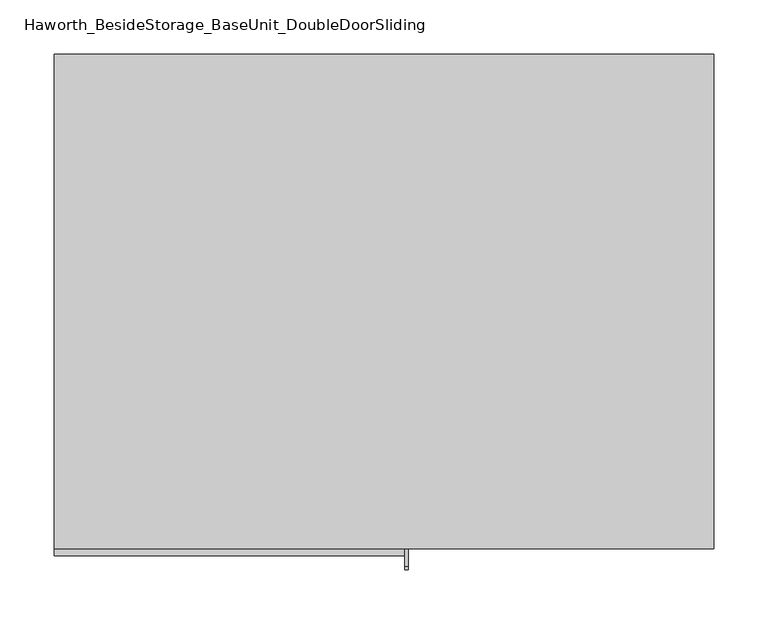
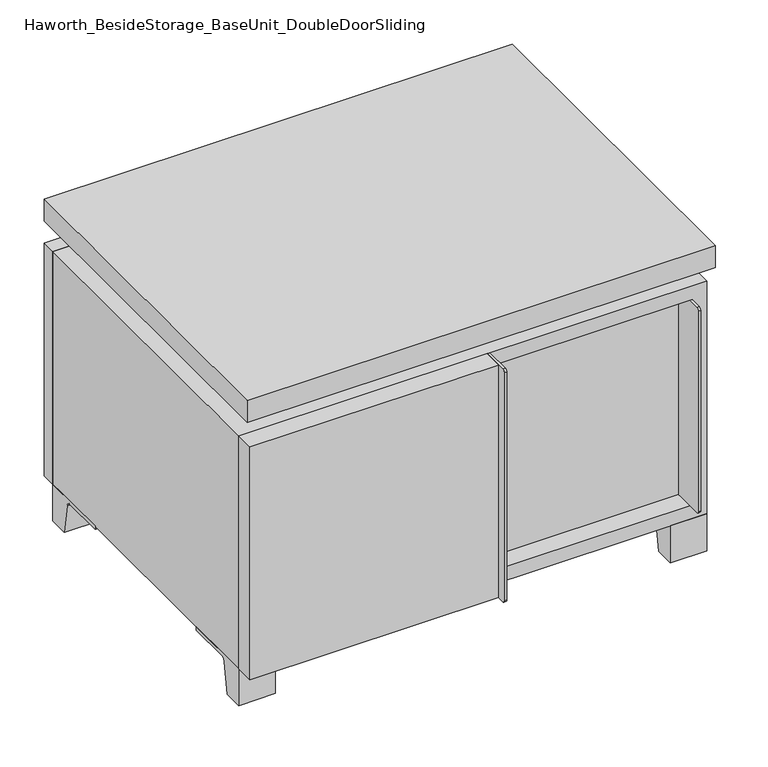
"""IFC4 building model written with IfcOpenShell, lengths in millimetres: furniture geometry, Haworth_BesideStorage_BaseUnit_DoubleDoorSliding."""

from ifc_helpers import new_model, si_unit, point, frame, frame_2d, origin, place, context, project, spatial, polyline, circle_curve, trimmed, segment, composite_curve, outline, extrude, faceted_brep, source, transform, mapped, element, save


def haworth_besidestorage_baseunit_doubledoorsliding_63acf6f0(model_context):
    return source(origin(), model_context, "Body", "SolidModel", [
        extrude(outline(polyline([(9.5319453, 241.3), (285.7569453, 241.3), (285.7569453, -92.075), (9.5319453, -92.075), (9.5319453, 241.3)])), frame((0.0, 0.0, 201.6125), z_axis=(0.0, 0.0, 1.0), x_axis=(1.0, 0.0, 0.0)), (0.0, 0.0, 1.0), 19.05),
        extrude(outline(polyline([(-9.5041641, 241.3), (-9.5041641, -92.075), (-285.7291641, -92.075), (-285.7291641, 241.3), (-9.5041641, 241.3)])), frame((0.0, 0.0, 201.6125), z_axis=(0.0, 0.0, 1.0), x_axis=(1.0, 0.0, 0.0)), (0.0, 0.0, 1.0), 19.05),
        extrude(outline(composite_curve([segment(polyline([(-95.25, 352.425), (-95.25, 69.85), (-161.925, 69.85)]), True, "CONTINUOUS"), segment(trimmed(circle_curve(frame_2d((-161.925, 73.025)), 3.175), [point((-161.925, 69.85))], [point((-165.1, 73.025))], False, "CARTESIAN"), True, "CONTINUOUS"), segment(polyline([(-165.1, 73.025), (-165.1, 349.25)]), True, "CONTINUOUS"), segment(trimmed(circle_curve(frame_2d((-161.925, 349.25)), 3.175), [point((-165.1, 349.25))], [point((-161.925, 352.425))], False, "CARTESIAN"), True, "CONTINUOUS"), segment(polyline([(-161.925, 352.425), (-95.25, 352.425)]), True, "CONTINUOUS")], self_intersect=False)), frame((282.5819453, 0.0, 0.0), z_axis=(1.0, 0.0, 0.0), x_axis=(0.0, 1.0, 0.0)), (0.0, 0.0, 1.0), 3.175),
        extrude(outline(polyline([(15.8819453, -95.25), (282.5819453, -95.25), (282.5819453, -120.65), (15.8819453, -120.65), (15.8819453, -95.25)])), frame((0.0, 0.0, 69.85), z_axis=(0.0, 0.0, 1.0), x_axis=(1.0, 0.0, 0.0)), (0.0, 0.0, 1.0), 282.575),
        extrude(outline(polyline([(304.8138906, 292.1), (304.8138906, -165.1), (-304.7861094, -165.1), (-304.7861094, 292.1), (304.8138906, 292.1)])), frame((0.0, 0.0, 401.6375), z_axis=(0.0, 0.0, 1.0), x_axis=(1.0, 0.0, 0.0)), (0.0, 0.0, 1.0), 30.1625),
        extrude(outline(composite_curve([segment(polyline([(-146.05, 371.475), (-146.05, 50.8), (-180.975, 50.8)]), True, "CONTINUOUS"), segment(trimmed(circle_curve(frame_2d((-180.975, 53.975)), 3.175), [point((-180.975, 50.8))], [point((-184.15, 53.975))], False, "CARTESIAN"), True, "CONTINUOUS"), segment(polyline([(-184.15, 53.975), (-184.15, 368.3)]), True, "CONTINUOUS"), segment(trimmed(circle_curve(frame_2d((-180.975, 368.3)), 3.175), [point((-184.15, 368.3))], [point((-180.975, 371.475))], False, "CARTESIAN"), True, "CONTINUOUS"), segment(polyline([(-180.975, 371.475), (-146.05, 371.475)]), True, "CONTINUOUS")], self_intersect=False)), frame((19.0638906, 0.0, 0.0), z_axis=(1.0, 0.0, 0.0), x_axis=(0.0, 1.0, 0.0)), (0.0, 0.0, 1.0), 3.175),
        extrude(outline(polyline([(-304.7861094, -146.05), (19.0638906, -146.05), (19.0638906, -171.45), (-304.7861094, -171.45), (-304.7861094, -146.05)])), frame((0.0, 0.0, 50.8), z_axis=(0.0, 0.0, 1.0), x_axis=(1.0, 0.0, 0.0)), (0.0, 0.0, 1.0), 320.675),
        extrude(outline(composite_curve([segment(polyline([(-120.6500136, 0.0), (-146.05, 0.0), (-146.05, 50.8), (-50.8, 50.8), (-50.8, 46.0213321), (-107.6005345, 46.0213321)]), True, "CONTINUOUS"), segment(trimmed(circle_curve(frame_2d((-107.6005345, 39.6713321)), 6.35), [point((-107.6005345, 46.0213321))], [point((-113.8641359, 40.7152656))], True, "CARTESIAN"), True, "CONTINUOUS"), segment(polyline([(-113.8641359, 40.7152656), (-120.6500136, 0.0)]), True, "CONTINUOUS")], self_intersect=False)), frame((257.1888906, 0.0, 0.0), z_axis=(1.0, 0.0, 0.0), x_axis=(0.0, 1.0, 0.0)), (0.0, 0.0, 1.0), 47.625),
        extrude(outline(composite_curve([segment(polyline([(247.6500136, 0.0), (240.8641359, 40.7152656)]), True, "CONTINUOUS"), segment(trimmed(circle_curve(frame_2d((234.6005345, 39.6713321)), 6.35), [point((240.8641359, 40.7152656))], [point((234.6005345, 46.0213321))], True, "CARTESIAN"), True, "CONTINUOUS"), segment(polyline([(234.6005345, 46.0213321), (177.8, 46.0213321), (177.8, 50.8), (273.05, 50.8), (273.05, 0.0), (247.6500136, 0.0)]), True, "CONTINUOUS")], self_intersect=False)), frame((257.1888906, 0.0, 0.0), z_axis=(1.0, 0.0, 0.0), x_axis=(0.0, 1.0, 0.0)), (0.0, 0.0, 1.0), 47.625),
        extrude(outline(composite_curve([segment(polyline([(-120.6500136, 0.0), (-146.05, 0.0), (-146.05, 50.8), (-50.8, 50.8), (-50.8, 46.0213321), (-107.6005345, 46.0213321)]), True, "CONTINUOUS"), segment(trimmed(circle_curve(frame_2d((-107.6005345, 39.6713321)), 6.35), [point((-107.6005345, 46.0213321))], [point((-113.8641359, 40.7152656))], True, "CARTESIAN"), True, "CONTINUOUS"), segment(polyline([(-113.8641359, 40.7152656), (-120.6500136, 0.0)]), True, "CONTINUOUS")], self_intersect=False)), frame((-304.7861094, 0.0, 0.0), z_axis=(1.0, 0.0, 0.0), x_axis=(0.0, 1.0, 0.0)), (0.0, 0.0, 1.0), 47.625),
        extrude(outline(composite_curve([segment(polyline([(247.6500136, 0.0), (240.8641359, 40.7152656)]), True, "CONTINUOUS"), segment(trimmed(circle_curve(frame_2d((234.6005345, 39.6713321)), 6.35), [point((240.8641359, 40.7152656))], [point((234.6005345, 46.0213321))], True, "CARTESIAN"), True, "CONTINUOUS"), segment(polyline([(234.6005345, 46.0213321), (177.8, 46.0213321), (177.8, 50.8), (273.05, 50.8), (273.05, 0.0), (247.6500136, 0.0)]), True, "CONTINUOUS")], self_intersect=False)), frame((-304.7861094, 0.0, 0.0), z_axis=(1.0, 0.0, 0.0), x_axis=(0.0, 1.0, 0.0)), (0.0, 0.0, 1.0), 47.625),
        faceted_brep([(7.9513906, -120.65, 401.6375), (7.9513906, -120.65, 371.475), (7.9513906, 53.975, 371.475), (7.9513906, 53.975, 401.6375), (7.9513906, 247.65, 371.475), (7.9513906, 247.65, 401.6375), (7.9513906, 73.025, 401.6375), (7.9513906, 73.025, 371.475), (-7.9236094, 247.65, 401.6375), (-7.9236094, 247.65, 371.475), (-7.9236094, 73.025, 371.475), (-7.9236094, 73.025, 401.6375), (-7.9236094, -120.65, 371.475), (-7.9236094, -120.65, 401.6375), (-7.9236094, 53.975, 401.6375), (-7.9236094, 53.975, 371.475), (-263.4833281, 73.025, 401.6375), (-263.5041641, 247.65, 401.6375), (-279.3791641, 247.65, 401.6375), (-279.3791641, -120.65, 401.6375), (-263.5041641, -120.65, 401.6375), (-263.5041641, 53.975, 401.6375), (263.5111094, 53.975, 401.6375), (263.5111094, -120.65, 401.6375), (279.3861094, -120.65, 401.6375), (279.3861094, 247.65, 401.6375), (263.5111094, 247.65, 401.6375), (263.5111094, 73.025, 401.6375), (-263.4833281, 53.975, 371.475), (-263.5041641, -120.65, 371.475), (-279.3791641, -120.65, 371.475), (-279.3791641, 247.65, 371.475), (-263.5041641, 247.65, 371.475), (-263.5041641, 73.025, 371.475), (263.5111094, 73.025, 371.475), (263.5111094, 247.65, 371.475), (279.3861094, 247.65, 371.475), (279.3861094, -120.65, 371.475), (263.5111094, -120.65, 371.475), (263.5111094, 53.975, 371.475)], [[[0, 1, 2, 3]], [[4, 5, 6, 7]], [[8, 9, 10, 11]], [[12, 13, 14, 15]], [[5, 8, 11, 16, 17, 18, 19, 20, 21, 14, 13, 0, 3, 22, 23, 24, 25, 26, 27, 6]], [[1, 12, 15, 28, 29, 30, 31, 32, 33, 10, 9, 4, 7, 34, 35, 36, 37, 38, 39, 2]], [[5, 4, 9, 8]], [[1, 0, 13, 12]], [[6, 27, 34, 7]], [[22, 3, 2, 39]], [[20, 29, 28, 21]], [[32, 17, 16, 33]], [[18, 31, 30, 19]], [[29, 20, 19, 30]], [[17, 32, 31, 18]], [[26, 35, 34, 27]], [[38, 23, 22, 39]], [[25, 24, 37, 36]], [[23, 38, 37, 24]], [[35, 26, 25, 36]], [[16, 11, 10, 33]], [[14, 21, 28, 15]]]),
        extrude(outline(polyline([(9.5388906, 241.3), (9.5388906, -95.25), (-9.5111094, -95.25), (-9.5111094, 241.3), (9.5388906, 241.3)])), frame((0.0, 0.0, 69.85), z_axis=(0.0, 0.0, 1.0), x_axis=(1.0, 0.0, 0.0)), (0.0, 0.0, 1.0), 282.575),
        extrude(outline(polyline([(15.8888906, -88.9), (15.8888906, -146.05), (-9.5111094, -146.05), (-9.5111094, -120.65), (3.1888906, -120.65), (3.1888906, -88.9), (15.8888906, -88.9)])), frame((0.0, 0.0, 69.85), z_axis=(0.0, 0.0, 1.0), x_axis=(1.0, 0.0, 0.0)), (0.0, 0.0, 1.0), 282.575),
        extrude(outline(polyline([(304.8138906, 273.05), (-304.7861094, 273.05), (-304.7861094, 292.1), (304.8138906, 292.1), (304.8138906, 273.05)])), frame((0.0, 0.0, 50.8), z_axis=(0.0, 0.0, 1.0), x_axis=(1.0, 0.0, 0.0)), (0.0, 0.0, 1.0), 320.675),
        extrude(outline(polyline([(50.8, -304.7861094), (50.8, 304.8), (371.475, 304.8), (371.475, -304.7861094), (50.8, -304.7861094)]), holes=[polyline([(69.85, -285.7361094), (352.425, -285.7361094), (352.425, 285.7361094), (69.85, 285.7361094), (69.85, -285.7361094)])]), frame((0.0, -146.05, 0.0), z_axis=(0.0, 1.0, 0.0), x_axis=(0.0, 0.0, 1.0)), (0.0, 0.0, 1.0), 419.1),
        extrude(outline(polyline([(-285.7291641, 241.3), (-285.7291641, 247.65), (285.7569453, 247.65), (285.7569453, 241.3), (-285.7291641, 241.3)])), frame((0.0, 0.0, 69.85), z_axis=(0.0, 0.0, 1.0), x_axis=(1.0, 0.0, 0.0)), (0.0, 0.0, 1.0), 282.575),
    ])


if __name__ == "__main__":
    model = new_model("IFC4")
    model_context = context("Model", 3, world=origin())
    ifc_project = project(units=[si_unit("LENGTHUNIT", "METRE", prefix="MILLI")], contexts=[model_context])
    site = spatial("IfcSite", under=ifc_project)
    building = spatial("IfcBuilding", under=site)
    placement = place(None, origin())
    haworth_besidestorage_baseunit_doubledoorsliding_shape = haworth_besidestorage_baseunit_doubledoorsliding_63acf6f0(model_context)
    element("IfcFurniture", 1, ObjectType="Haworth_BesideStorage_BaseUnit_DoubleDoorSliding", at=placement, inside=building, context=model_context, shape_type="MappedRepresentation", body=[
        mapped(haworth_besidestorage_baseunit_doubledoorsliding_shape, transform((0.0, 0.0, 0.0), x_axis=(1.0, 0.0, 0.0), y_axis=(0.0, 1.0, 0.0), z_axis=(0.0, 0.0, 1.0))),
    ])
    save(model, "model.ifc")
